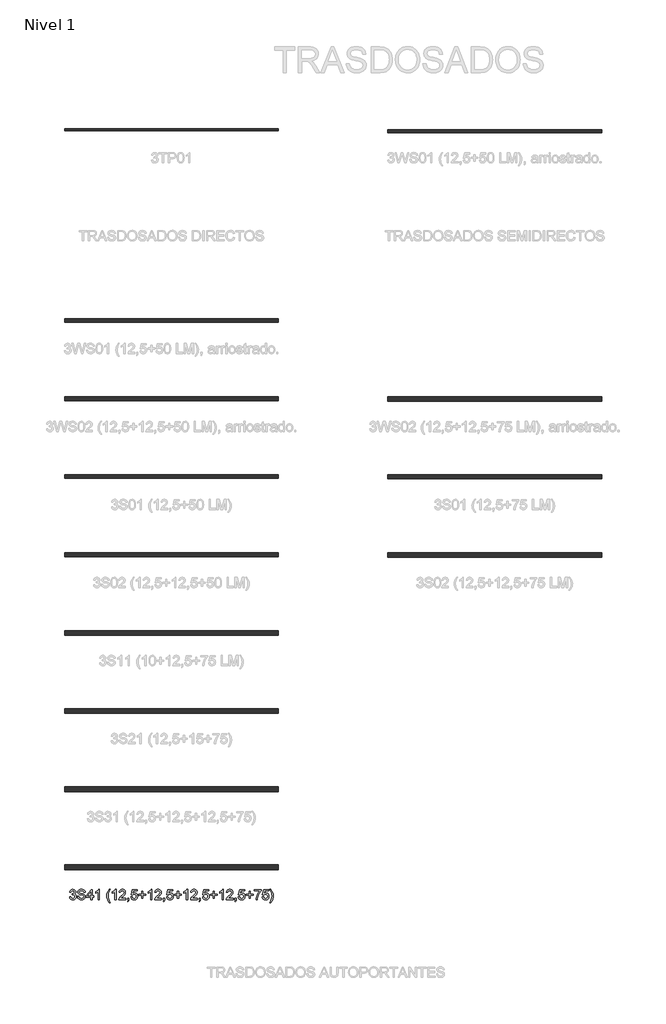
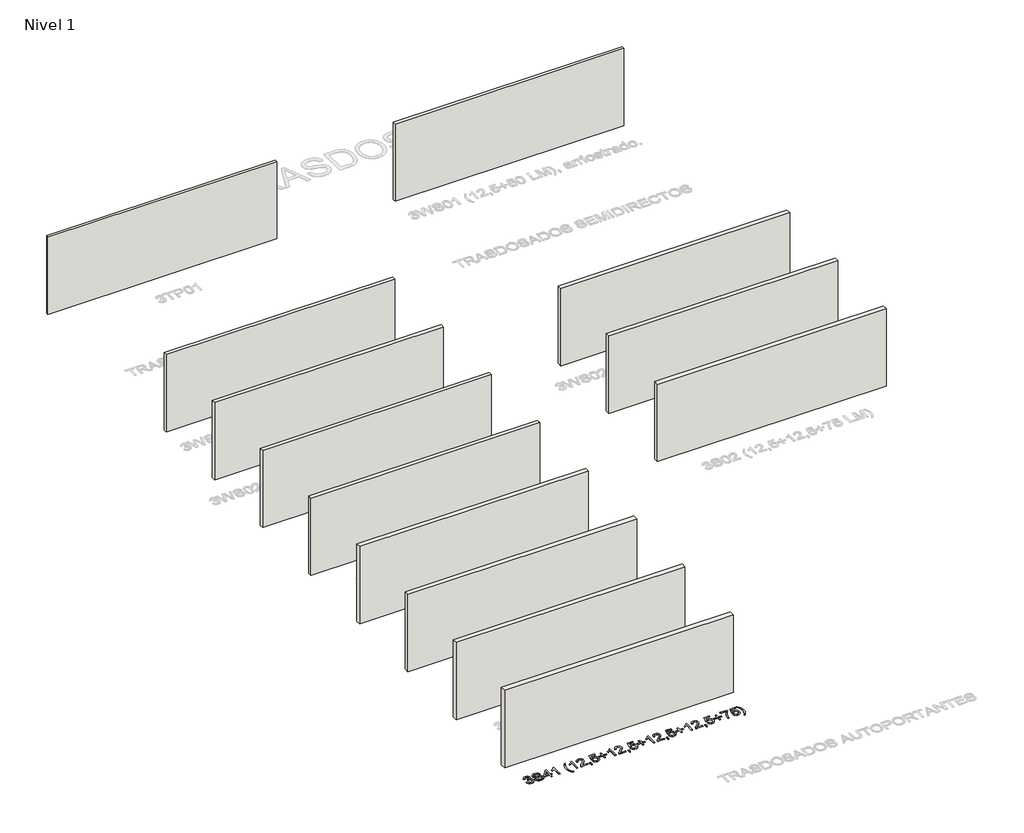
# One storey, part 1 of 13: 13 walls, 1 proxy.
"""IFC4 building model written with IfcOpenShell, lengths in millimetres."""

from ifc_helpers import new_model, si_unit, origin, origin_with_axes, place, context, project, spatial, polyline, outline, extrude, element, save

model = new_model("IFC4")

# Units and contexts
model_context = context("Model", 3, world=origin())
ifc_project = project(units=[si_unit("LENGTHUNIT", "METRE", prefix="MILLI")], contexts=[model_context])

# Site, building, storey
site = spatial("IfcSite", under=ifc_project)
building = spatial("IfcBuilding", under=site)
storey = spatial("IfcBuildingStorey", under=building, Name="Nivel 1", Elevation=0.0)

# Proxy
placement = place(None, origin())
element("IfcBuildingElementProxy", 1, Name="Texto de modelo 1", ObjectType="Texto de modelo 1", at=placement, inside=storey, context=model_context, shape_type="SweptSolid", body=[
    extrude(outline(polyline([(-25986.2526252, -23208.8446235), (-25936.0244702, -23202.5661041), (-25924.7795438, -23234.1303793), (-25908.3106932, -23255.4430095), (-25885.8085778, -23267.5831154), (-25856.4638573, -23271.6298173), (-25822.0301026, -23266.0625364), (-25807.7562812, -23259.1034354), (-25795.4444971, -23249.3606939), (-25778.4483489, -23224.4428201), (-25772.7829662, -23194.2274455), (-25778.399298, -23165.5449126), (-25795.2482933, -23142.2825078), (-25820.7547783, -23126.8682522), (-25852.343579, -23121.730167), (-25887.5621487, -23127.2238715), (-25881.9703423, -23076.9957164), (-25873.9259894, -23077.5843276), (-25843.8332422, -23073.979084), (-25816.9288056, -23063.1633534), (-25805.8555575, -23054.9841103), (-25797.9460946, -23044.8673555), (-25793.2004169, -23032.8130888), (-25791.6185243, -23018.8213102), (-25796.2047865, -22997.1285352), (-25809.9635731, -22979.5315131), (-25830.9573723, -22967.8696539), (-25857.2486723, -22963.9823675), (-25883.5890231, -22967.9064421), (-25905.1223826, -22979.6786659), (-25920.8432065, -22999.299039), (-25929.7459508, -23026.7675613), (-25979.9741058, -23020.4890419), (-25974.0205489, -22996.5092672), (-25965.1852496, -22975.3867093), (-25953.4682081, -22957.1213683), (-25938.8694243, -22941.713244), (-25921.8487506, -22929.4811677), (-25902.8660397, -22920.7439703), (-25881.9212914, -22915.5016519), (-25859.0145058, -22913.7542124), (-25827.4379679, -22917.2000404), (-25798.436604, -22927.5375245), (-25773.984714, -22943.8469596), (-25756.0565981, -22965.2086408), (-25745.0569265, -22989.8199463), (-25741.3903692, -23015.8782543), (-25744.8729855, -23040.1584659), (-25755.3208341, -23062.1823347), (-25772.5867624, -23080.9443165), (-25796.5236176, -23095.4388671), (-25765.0819697, -23108.1430586), (-25741.7827767, -23129.77452), (-25727.3618025, -23159.1560286), (-25722.5548111, -23195.1103623), (-25724.9583068, -23220.5923218), (-25732.1687939, -23244.0631931), (-25744.1862724, -23265.5229762), (-25761.0107423, -23284.971671), (-25781.5079008, -23301.1094278), (-25804.5434451, -23312.636397), (-25830.1173751, -23319.5525785), (-25858.2296909, -23321.8579724), (-25883.638074, -23319.8898037), (-25906.7901143, -23313.9852977), (-25927.6858116, -23304.1444543), (-25946.325166, -23290.3672736), (-25961.9540195, -23273.4630959), (-25973.8182138, -23254.2412617), (-25981.9177491, -23232.7017708), (-25986.2526252, -23208.8446235)])), origin_with_axes(), (0.0, 0.0, 1.0), 10.0),
    extrude(outline(polyline([(-25678.6051754, -23177.4520265), (-25628.3770203, -23177.4520265), (-25622.6135357, -23205.325219), (-25612.1902125, -23227.7292325), (-25595.9298284, -23245.5101956), (-25572.6551608, -23259.5142369), (-25544.2056198, -23268.6009222), (-25512.4206154, -23271.6298173), (-25484.4370583, -23269.3366862), (-25459.9361175, -23262.4572929), (-25440.0827525, -23251.5679858), (-25426.041923, -23237.2451135), (-25417.6910017, -23220.8007883), (-25414.9073613, -23203.5471227), (-25416.9920259, -23186.7349155), (-25423.2460198, -23172.2035767), (-25435.9502114, -23159.8059535), (-25457.385469, -23149.394893), (-25530.5204096, -23130.2159784), (-25578.52901, -23117.5240495), (-25609.2471566, -23105.4452573), (-25634.2508695, -23088.547211), (-25651.9705189, -23068.0684466), (-25662.5287322, -23044.4504225), (-25666.0481366, -23018.1345972), (-25661.6948664, -22988.7163003), (-25648.6350555, -22961.2845662), (-25627.2120607, -22938.0344241), (-25597.7692383, -22921.1609032), (-25562.4280413, -22910.8969956), (-25523.3099225, -22907.475693), (-25480.9299167, -22911.0564111), (-25443.8474115, -22921.7985654), (-25413.3867823, -22939.4814266), (-25390.8724042, -22963.8842656), (-25376.6231083, -22993.4865035), (-25370.9577256, -23026.7675613), (-25421.1858806, -23026.7675613), (-25430.407456, -22996.7974414), (-25438.77064, -22984.9393785), (-25449.6354216, -22975.1659801), (-25479.6791179, -22962.0693811), (-25521.3478852, -22957.7038481), (-25563.9976712, -22962.0203302), (-25580.3009749, -22967.4159328), (-25593.2565525, -22974.9697764), (-25610.1791243, -22994.0260637), (-25615.8199816, -23016.6630692), (-25611.8223305, -23035.9646112), (-25599.8293775, -23051.4892314), (-25571.4779384, -23065.3706453), (-25517.816218, -23079.5463649), (-25462.437715, -23093.0108459), (-25428.935928, -23104.7585443), (-25400.302446, -23122.9809658), (-25380.3264537, -23145.4708184), (-25368.5910181, -23171.9828475), (-25364.6792062, -23202.2717985), (-25369.1796293, -23233.2351997), (-25382.6808985, -23262.359191), (-25404.6311909, -23287.4242176), (-25434.4786834, -23306.2107248), (-25470.3717034, -23317.9461605), (-25510.4585781, -23321.8579724), (-25559.6689264, -23317.6395922), (-25600.172734, -23304.9844515), (-25632.435985, -23283.8434995), (-25656.9246632, -23254.1676853), (-25672.6454871, -23218.0171479), (-25678.6051754, -23177.4520265)])), origin_with_axes(), (0.0, 0.0, 1.0), 10.0),
    extrude(outline(polyline([(-25144.9310277, -23315.579453), (-25144.9310277, -23221.4016622), (-25327.0080899, -23221.4016622), (-25327.0080899, -23171.1735072), (-25132.373989, -22920.0327318), (-25094.7028727, -22920.0327318), (-25094.7028727, -23171.1735072), (-25044.4747176, -23171.1735072), (-25044.4747176, -23221.4016622), (-25094.7028727, -23221.4016622), (-25094.7028727, -23315.579453), (-25144.9310277, -23315.579453)]), holes=[polyline([(-25144.9310277, -23171.1735072), (-25144.9310277, -23015.9763561), (-25265.2039147, -23171.1735072), (-25144.9310277, -23171.1735072)])]), origin_with_axes(), (0.0, 0.0, 1.0), 10.0),
    extrude(outline(polyline([(-24812.1695004, -23315.579453), (-24862.3976554, -23315.579453), (-24862.3976554, -23002.4382987), (-24883.3669292, -23019.3976587), (-24909.9770601, -23036.3324932), (-24962.8539656, -23061.6918254), (-24962.8539656, -23014.2105225), (-24923.404753, -22992.7507395), (-24889.2285156, -22967.219729), (-24862.2872908, -22940.0700378), (-24844.5431159, -22913.7542124), (-24812.1695004, -22913.7542124), (-24812.1695004, -23315.579453)])), origin_with_axes(), (0.0, 0.0, 1.0), 10.0),
    extrude(outline(polyline([(-24422.9012985, -23428.5928019), (-24461.8232136, -23373.9745884), (-24494.2213547, -23310.7724616), (-24506.9684658, -23276.7188516), (-24516.0735452, -23242.0521049), (-24521.5365928, -23206.7722216), (-24523.3576087, -23170.8792016), (-24517.9129552, -23108.4618897), (-24501.5789946, -23048.7423792), (-24469.1563281, -22981.101143), (-24422.9012985, -22913.7542124), (-24385.2301822, -22913.7542124), (-24432.2209757, -22993.3148252), (-24448.2606307, -23031.0840434), (-24460.474313, -23070.4228914), (-24469.9656684, -23120.6755719), (-24473.1294536, -23171.1735072), (-24467.6357491, -23235.565119), (-24451.1546358, -23299.9322055), (-24423.6861135, -23364.2747664), (-24385.2301822, -23428.5928019), (-24422.9012985, -23428.5928019)])), origin_with_axes(), (0.0, 0.0, 1.0), 10.0),
    extrude(outline(polyline([(-24159.2034844, -23315.579453), (-24209.4316395, -23315.579453), (-24209.4316395, -23002.4382987), (-24230.4009132, -23019.3976587), (-24257.0110442, -23036.3324932), (-24309.8879496, -23061.6918254), (-24309.8879496, -23014.2105225), (-24270.438737, -22992.7507395), (-24236.2624996, -22967.219729), (-24209.3212749, -22940.0700378), (-24191.5771, -22913.7542124), (-24159.2034844, -22913.7542124), (-24159.2034844, -23315.579453)])), origin_with_axes(), (0.0, 0.0, 1.0), 10.0),
    extrude(outline(polyline([(-23782.4923213, -23265.3512979), (-23782.4923213, -23315.579453), (-24046.1901355, -23315.579453), (-24045.0864895, -23297.8965918), (-24040.7945329, -23280.9494945), (-24028.4091724, -23253.8856424), (-24010.2848527, -23227.6311307), (-23984.0671292, -23200.1503456), (-23947.401557, -23169.4076736), (-23893.2002764, -23121.2641831), (-23860.679508, -23085.7267824), (-23844.4191238, -23056.884834), (-23838.9989958, -23028.8277005), (-23844.1125555, -23003.6768347), (-23859.4532347, -22982.7688747), (-23883.0344706, -22968.6789943), (-23912.8697004, -22963.9823675), (-23944.2009837, -22968.5686297), (-23968.542509, -22982.3274163), (-23984.2510702, -23004.1796068), (-23989.683461, -23033.0460807), (-24039.9116161, -23026.7675613), (-24035.5920683, -23000.838012), (-24027.734722, -22978.1826125), (-24016.3395772, -22958.8013627), (-24001.4066339, -22942.6942627), (-23983.2792486, -22930.0329907), (-23962.3007778, -22920.989225), (-23938.4712216, -22915.5629655), (-23911.7905799, -22913.7542124), (-23884.8708149, -22915.7653006), (-23860.9125, -22921.7985654), (-23839.9156351, -22931.8540066), (-23821.8802203, -22945.9316242), (-23807.3948667, -22962.9890861), (-23797.0481856, -22981.9840598), (-23790.8401769, -23002.9165453), (-23788.7708407, -23025.7865427), (-23791.0026581, -23049.8092369), (-23797.6981105, -23073.4149983), (-23809.5806989, -23097.4254299), (-23827.3739247, -23122.6621347), (-23855.7376266, -23152.7916701), (-23899.331643, -23191.4805933), (-23957.1136417, -23239.795762), (-23979.7751726, -23265.3512979), (-23782.4923213, -23265.3512979)])), origin_with_axes(), (0.0, 0.0, 1.0), 10.0),
    extrude(outline(polyline([(-23707.1500887, -23315.579453), (-23707.1500887, -23265.3512979), (-23656.9219336, -23265.3512979), (-23656.9219336, -23315.579453), (-23659.1782765, -23344.3110368), (-23665.9473053, -23366.9357795), (-23677.6214272, -23384.287547), (-23694.5930499, -23397.200205), (-23707.1500887, -23378.3646468), (-23696.2607817, -23369.2656988), (-23688.706938, -23356.6841346), (-23684.1206758, -23339.246528), (-23682.134113, -23315.579453), (-23707.1500887, -23315.579453)])), origin_with_axes(), (0.0, 0.0, 1.0), 10.0),
    extrude(outline(polyline([(-23575.3011816, -23208.8446235), (-23525.0730266, -23202.5661041), (-23515.8514512, -23232.7201649), (-23499.7627453, -23254.3148381), (-23476.8804852, -23267.3010725), (-23447.2782473, -23271.6298173), (-23428.1483836, -23270.1245668), (-23411.2748627, -23265.6088153), (-23396.6576848, -23258.0825628), (-23384.2968497, -23247.5458094), (-23374.4682691, -23234.519721), (-23367.4478544, -23219.5254641), (-23361.8315226, -23183.6324441), (-23367.0922351, -23149.8363514), (-23373.6681258, -23135.9181493), (-23382.8743727, -23123.9865099), (-23394.7416327, -23114.4154467), (-23409.3005627, -23107.5789729), (-23446.4934324, -23102.1097939), (-23470.8594832, -23104.2925604), (-23490.5902209, -23110.8408599), (-23506.347833, -23120.8717757), (-23518.7945072, -23133.5023908), (-23569.0226623, -23127.2238715), (-23525.0730266, -22920.0327318), (-23330.4389257, -22920.0327318), (-23330.4389257, -22970.2608869), (-23484.4588543, -22970.2608869), (-23505.9431628, -23080.919791), (-23488.217382, -23068.2155994), (-23470.0624056, -23059.1411769), (-23451.4782334, -23053.6965234), (-23432.4648656, -23051.8816388), (-23408.0037787, -23054.1318504), (-23385.5353858, -23060.882485), (-23365.0596871, -23072.1335427), (-23346.5766825, -23087.8850234), (-23331.2758572, -23107.1743027), (-23320.3466963, -23129.038756), (-23313.7891997, -23153.4783832), (-23311.6033675, -23180.4931844), (-23313.5715362, -23206.5147042), (-23319.4760422, -23230.7213394), (-23329.3168856, -23253.1130902), (-23343.0940663, -23273.6899565), (-23363.9652381, -23294.7634634), (-23388.3190262, -23309.8159684), (-23416.1554305, -23318.8474714), (-23447.4744511, -23321.8579724), (-23473.3948033, -23319.9235262), (-23496.8074266, -23314.1201877), (-23517.712321, -23304.447957), (-23536.1094864, -23290.9068338), (-23551.4164431, -23274.1712688), (-23563.0507112, -23254.915712), (-23571.0122907, -23233.1401636), (-23575.3011816, -23208.8446235)])), origin_with_axes(), (0.0, 0.0, 1.0), 10.0),
    extrude(outline(polyline([(-23154.6403829, -23252.7942591), (-23154.6403829, -23146.0594296), (-23261.3752124, -23146.0594296), (-23261.3752124, -23095.8312745), (-23154.6403829, -23095.8312745), (-23154.6403829, -22989.096445), (-23104.4122278, -22989.096445), (-23104.4122278, -23095.8312745), (-22997.6773983, -23095.8312745), (-22997.6773983, -23146.0594296), (-23104.4122278, -23146.0594296), (-23104.4122278, -23252.7942591), (-23154.6403829, -23252.7942591)])), origin_with_axes(), (0.0, 0.0, 1.0), 10.0),
    extrude(outline(polyline([(-22752.8151423, -23315.579453), (-22803.0432974, -23315.579453), (-22803.0432974, -23002.4382987), (-22824.0125711, -23019.3976587), (-22850.6227021, -23036.3324932), (-22903.4996075, -23061.6918254), (-22903.4996075, -23014.2105225), (-22864.0503949, -22992.7507395), (-22829.8741575, -22967.219729), (-22802.9329328, -22940.0700378), (-22785.1887579, -22913.7542124), (-22752.8151423, -22913.7542124), (-22752.8151423, -23315.579453)])), origin_with_axes(), (0.0, 0.0, 1.0), 10.0),
    extrude(outline(polyline([(-22376.1039792, -23265.3512979), (-22376.1039792, -23315.579453), (-22639.8017934, -23315.579453), (-22638.6981474, -23297.8965918), (-22634.4061908, -23280.9494945), (-22622.0208303, -23253.8856424), (-22603.8965106, -23227.6311307), (-22577.6787871, -23200.1503456), (-22541.0132149, -23169.4076736), (-22486.8119343, -23121.2641831), (-22454.2911659, -23085.7267824), (-22438.0307818, -23056.884834), (-22432.6106537, -23028.8277005), (-22437.7242134, -23003.6768347), (-22453.0648926, -22982.7688747), (-22476.6461285, -22968.6789943), (-22506.4813583, -22963.9823675), (-22537.8126416, -22968.5686297), (-22562.1541669, -22982.3274163), (-22577.8627281, -23004.1796068), (-22583.2951189, -23033.0460807), (-22633.523274, -23026.7675613), (-22629.2037262, -23000.838012), (-22621.3463799, -22978.1826125), (-22609.9512351, -22958.8013627), (-22595.0182918, -22942.6942627), (-22576.8909065, -22930.0329907), (-22555.9124357, -22920.989225), (-22532.0828795, -22915.5629655), (-22505.4022378, -22913.7542124), (-22478.4824728, -22915.7653006), (-22454.5241579, -22921.7985654), (-22433.527293, -22931.8540066), (-22415.4918782, -22945.9316242), (-22401.0065246, -22962.9890861), (-22390.6598435, -22981.9840598), (-22384.4518348, -23002.9165453), (-22382.3824986, -23025.7865427), (-22384.6143161, -23049.8092369), (-22391.3097684, -23073.4149983), (-22403.1923568, -23097.4254299), (-22420.9855826, -23122.6621347), (-22449.3492845, -23152.7916701), (-22492.9433009, -23191.4805933), (-22550.7252996, -23239.795762), (-22573.3868305, -23265.3512979), (-22376.1039792, -23265.3512979)])), origin_with_axes(), (0.0, 0.0, 1.0), 10.0),
    extrude(outline(polyline([(-22300.7617466, -23315.579453), (-22300.7617466, -23265.3512979), (-22250.5335915, -23265.3512979), (-22250.5335915, -23315.579453), (-22252.7899344, -23344.3110368), (-22259.5589632, -23366.9357795), (-22271.2330851, -23384.287547), (-22288.2047079, -23397.200205), (-22300.7617466, -23378.3646468), (-22289.8724396, -23369.2656988), (-22282.3185959, -23356.6841346), (-22277.7323337, -23339.246528), (-22275.7457709, -23315.579453), (-22300.7617466, -23315.579453)])), origin_with_axes(), (0.0, 0.0, 1.0), 10.0),
    extrude(outline(polyline([(-22168.9128395, -23208.8446235), (-22118.6846845, -23202.5661041), (-22109.4631091, -23232.7201649), (-22093.3744032, -23254.3148381), (-22070.4921431, -23267.3010725), (-22040.8899052, -23271.6298173), (-22021.7600415, -23270.1245668), (-22004.8865206, -23265.6088153), (-21990.2693427, -23258.0825628), (-21977.9085077, -23247.5458094), (-21968.079927, -23234.519721), (-21961.0595123, -23219.5254641), (-21955.4431805, -23183.6324441), (-21960.703893, -23149.8363514), (-21967.2797837, -23135.9181493), (-21976.4860306, -23123.9865099), (-21988.3532906, -23114.4154467), (-22002.9122206, -23107.5789729), (-22040.1050903, -23102.1097939), (-22064.4711411, -23104.2925604), (-22084.2018788, -23110.8408599), (-22099.9594909, -23120.8717757), (-22112.4061651, -23133.5023908), (-22162.6343202, -23127.2238715), (-22118.6846845, -22920.0327318), (-21924.0505836, -22920.0327318), (-21924.0505836, -22970.2608869), (-22078.0705122, -22970.2608869), (-22099.5548207, -23080.919791), (-22081.8290399, -23068.2155994), (-22063.6740635, -23059.1411769), (-22045.0898913, -23053.6965234), (-22026.0765236, -23051.8816388), (-22001.6154366, -23054.1318504), (-21979.1470437, -23060.882485), (-21958.671345, -23072.1335427), (-21940.1883404, -23087.8850234), (-21924.8875151, -23107.1743027), (-21913.9583542, -23129.038756), (-21907.4008576, -23153.4783832), (-21905.2150254, -23180.4931844), (-21907.1831941, -23206.5147042), (-21913.0877001, -23230.7213394), (-21922.9285435, -23253.1130902), (-21936.7057242, -23273.6899565), (-21957.5768961, -23294.7634634), (-21981.9306841, -23309.8159684), (-22009.7670884, -23318.8474714), (-22041.086109, -23321.8579724), (-22067.0064612, -23319.9235262), (-22090.4190845, -23314.1201877), (-22111.3239789, -23304.447957), (-22129.7211443, -23290.9068338), (-22145.028101, -23274.1712688), (-22156.6623691, -23254.915712), (-22164.6239486, -23233.1401636), (-22168.9128395, -23208.8446235)])), origin_with_axes(), (0.0, 0.0, 1.0), 10.0),
    extrude(outline(polyline([(-21748.2520408, -23252.7942591), (-21748.2520408, -23146.0594296), (-21854.9868703, -23146.0594296), (-21854.9868703, -23095.8312745), (-21748.2520408, -23095.8312745), (-21748.2520408, -22989.096445), (-21698.0238857, -22989.096445), (-21698.0238857, -23095.8312745), (-21591.2890562, -23095.8312745), (-21591.2890562, -23146.0594296), (-21698.0238857, -23146.0594296), (-21698.0238857, -23252.7942591), (-21748.2520408, -23252.7942591)])), origin_with_axes(), (0.0, 0.0, 1.0), 10.0),
    extrude(outline(polyline([(-21346.4268002, -23315.579453), (-21396.6549553, -23315.579453), (-21396.6549553, -23002.4382987), (-21417.624229, -23019.3976587), (-21444.23436, -23036.3324932), (-21497.1112654, -23061.6918254), (-21497.1112654, -23014.2105225), (-21457.6620528, -22992.7507395), (-21423.4858155, -22967.219729), (-21396.5445907, -22940.0700378), (-21378.8004158, -22913.7542124), (-21346.4268002, -22913.7542124), (-21346.4268002, -23315.579453)])), origin_with_axes(), (0.0, 0.0, 1.0), 10.0),
    extrude(outline(polyline([(-20969.7156371, -23265.3512979), (-20969.7156371, -23315.579453), (-21233.4134513, -23315.579453), (-21232.3098053, -23297.8965918), (-21228.0178487, -23280.9494945), (-21215.6324882, -23253.8856424), (-21197.5081686, -23227.6311307), (-21171.290445, -23200.1503456), (-21134.6248728, -23169.4076736), (-21080.4235922, -23121.2641831), (-21047.9028238, -23085.7267824), (-21031.6424397, -23056.884834), (-21026.2223116, -23028.8277005), (-21031.3358713, -23003.6768347), (-21046.6765505, -22982.7688747), (-21070.2577864, -22968.6789943), (-21100.0930162, -22963.9823675), (-21131.4242995, -22968.5686297), (-21155.7658248, -22982.3274163), (-21171.474386, -23004.1796068), (-21176.9067768, -23033.0460807), (-21227.1349319, -23026.7675613), (-21222.8153841, -23000.838012), (-21214.9580379, -22978.1826125), (-21203.5628931, -22958.8013627), (-21188.6299497, -22942.6942627), (-21170.5025644, -22930.0329907), (-21149.5240936, -22920.989225), (-21125.6945374, -22915.5629655), (-21099.0138957, -22913.7542124), (-21072.0941307, -22915.7653006), (-21048.1358158, -22921.7985654), (-21027.1389509, -22931.8540066), (-21009.1035361, -22945.9316242), (-20994.6181825, -22962.9890861), (-20984.2715014, -22981.9840598), (-20978.0634927, -23002.9165453), (-20975.9941565, -23025.7865427), (-20978.225974, -23049.8092369), (-20984.9214263, -23073.4149983), (-20996.8040147, -23097.4254299), (-21014.5972405, -23122.6621347), (-21042.9609424, -23152.7916701), (-21086.5549588, -23191.4805933), (-21144.3369575, -23239.795762), (-21166.9984884, -23265.3512979), (-20969.7156371, -23265.3512979)])), origin_with_axes(), (0.0, 0.0, 1.0), 10.0),
    extrude(outline(polyline([(-20894.3734045, -23315.579453), (-20894.3734045, -23265.3512979), (-20844.1452494, -23265.3512979), (-20844.1452494, -23315.579453), (-20846.4015924, -23344.3110368), (-20853.1706211, -23366.9357795), (-20864.844743, -23384.287547), (-20881.8163658, -23397.200205), (-20894.3734045, -23378.3646468), (-20883.4840975, -23369.2656988), (-20875.9302538, -23356.6841346), (-20871.3439916, -23339.246528), (-20869.3574289, -23315.579453), (-20894.3734045, -23315.579453)])), origin_with_axes(), (0.0, 0.0, 1.0), 10.0),
    extrude(outline(polyline([(-20762.5244975, -23208.8446235), (-20712.2963424, -23202.5661041), (-20703.074767, -23232.7201649), (-20686.9860611, -23254.3148381), (-20664.103801, -23267.3010725), (-20634.5015631, -23271.6298173), (-20615.3716994, -23270.1245668), (-20598.4981785, -23265.6088153), (-20583.8810006, -23258.0825628), (-20571.5201656, -23247.5458094), (-20561.6915849, -23234.519721), (-20554.6711702, -23219.5254641), (-20549.0548384, -23183.6324441), (-20554.3155509, -23149.8363514), (-20560.8914416, -23135.9181493), (-20570.0976885, -23123.9865099), (-20581.9649485, -23114.4154467), (-20596.5238785, -23107.5789729), (-20633.7167482, -23102.1097939), (-20658.082799, -23104.2925604), (-20677.8135367, -23110.8408599), (-20693.5711488, -23120.8717757), (-20706.017823, -23133.5023908), (-20756.2459781, -23127.2238715), (-20712.2963424, -22920.0327318), (-20517.6622415, -22920.0327318), (-20517.6622415, -22970.2608869), (-20671.6821701, -22970.2608869), (-20693.1664786, -23080.919791), (-20675.4406978, -23068.2155994), (-20657.2857214, -23059.1411769), (-20638.7015492, -23053.6965234), (-20619.6881815, -23051.8816388), (-20595.2270945, -23054.1318504), (-20572.7587016, -23060.882485), (-20552.2830029, -23072.1335427), (-20533.7999983, -23087.8850234), (-20518.499173, -23107.1743027), (-20507.5700121, -23129.038756), (-20501.0125155, -23153.4783832), (-20498.8266833, -23180.4931844), (-20500.794852, -23206.5147042), (-20506.699358, -23230.7213394), (-20516.5402014, -23253.1130902), (-20530.3173821, -23273.6899565), (-20551.188554, -23294.7634634), (-20575.542342, -23309.8159684), (-20603.3787463, -23318.8474714), (-20634.6977669, -23321.8579724), (-20660.6181191, -23319.9235262), (-20684.0307424, -23314.1201877), (-20704.9356368, -23304.447957), (-20723.3328022, -23290.9068338), (-20738.6397589, -23274.1712688), (-20750.274027, -23254.915712), (-20758.2356065, -23233.1401636), (-20762.5244975, -23208.8446235)])), origin_with_axes(), (0.0, 0.0, 1.0), 10.0),
    extrude(outline(polyline([(-20341.8636987, -23252.7942591), (-20341.8636987, -23146.0594296), (-20448.5985282, -23146.0594296), (-20448.5985282, -23095.8312745), (-20341.8636987, -23095.8312745), (-20341.8636987, -22989.096445), (-20291.6355436, -22989.096445), (-20291.6355436, -23095.8312745), (-20184.9007141, -23095.8312745), (-20184.9007141, -23146.0594296), (-20291.6355436, -23146.0594296), (-20291.6355436, -23252.7942591), (-20341.8636987, -23252.7942591)])), origin_with_axes(), (0.0, 0.0, 1.0), 10.0),
    extrude(outline(polyline([(-19940.0384581, -23315.579453), (-19990.2666132, -23315.579453), (-19990.2666132, -23002.4382987), (-20011.2358869, -23019.3976587), (-20037.8460179, -23036.3324932), (-20090.7229233, -23061.6918254), (-20090.7229233, -23014.2105225), (-20051.2737107, -22992.7507395), (-20017.0974734, -22967.219729), (-19990.1562486, -22940.0700378), (-19972.4120737, -22913.7542124), (-19940.0384581, -22913.7542124), (-19940.0384581, -23315.579453)])), origin_with_axes(), (0.0, 0.0, 1.0), 10.0),
    extrude(outline(polyline([(-19563.327295, -23265.3512979), (-19563.327295, -23315.579453), (-19827.0251092, -23315.579453), (-19825.9214632, -23297.8965918), (-19821.6295066, -23280.9494945), (-19809.2441461, -23253.8856424), (-19791.1198265, -23227.6311307), (-19764.9021029, -23200.1503456), (-19728.2365307, -23169.4076736), (-19674.0352501, -23121.2641831), (-19641.5144818, -23085.7267824), (-19625.2540976, -23056.884834), (-19619.8339695, -23028.8277005), (-19624.9475292, -23003.6768347), (-19640.2882084, -22982.7688747), (-19663.8694443, -22968.6789943), (-19693.7046741, -22963.9823675), (-19725.0359574, -22968.5686297), (-19749.3774827, -22982.3274163), (-19765.0860439, -23004.1796068), (-19770.5184347, -23033.0460807), (-19820.7465898, -23026.7675613), (-19816.427042, -23000.838012), (-19808.5696958, -22978.1826125), (-19797.174551, -22958.8013627), (-19782.2416076, -22942.6942627), (-19764.1142223, -22930.0329907), (-19743.1357516, -22920.989225), (-19719.3061953, -22915.5629655), (-19692.6255536, -22913.7542124), (-19665.7057886, -22915.7653006), (-19641.7474737, -22921.7985654), (-19620.7506088, -22931.8540066), (-19602.715194, -22945.9316242), (-19588.2298404, -22962.9890861), (-19577.8831593, -22981.9840598), (-19571.6751506, -23002.9165453), (-19569.6058144, -23025.7865427), (-19571.8376319, -23049.8092369), (-19578.5330842, -23073.4149983), (-19590.4156726, -23097.4254299), (-19608.2088985, -23122.6621347), (-19636.5726003, -23152.7916701), (-19680.1666167, -23191.4805933), (-19737.9486154, -23239.795762), (-19760.6101463, -23265.3512979), (-19563.327295, -23265.3512979)])), origin_with_axes(), (0.0, 0.0, 1.0), 10.0),
    extrude(outline(polyline([(-19487.9850624, -23315.579453), (-19487.9850624, -23265.3512979), (-19437.7569074, -23265.3512979), (-19437.7569074, -23315.579453), (-19440.0132503, -23344.3110368), (-19446.782279, -23366.9357795), (-19458.456401, -23384.287547), (-19475.4280237, -23397.200205), (-19487.9850624, -23378.3646468), (-19477.0957554, -23369.2656988), (-19469.5419117, -23356.6841346), (-19464.9556495, -23339.246528), (-19462.9690868, -23315.579453), (-19487.9850624, -23315.579453)])), origin_with_axes(), (0.0, 0.0, 1.0), 10.0),
    extrude(outline(polyline([(-19356.1361554, -23208.8446235), (-19305.9080003, -23202.5661041), (-19296.6864249, -23232.7201649), (-19280.597719, -23254.3148381), (-19257.7154589, -23267.3010725), (-19228.113221, -23271.6298173), (-19208.9833573, -23270.1245668), (-19192.1098364, -23265.6088153), (-19177.4926585, -23258.0825628), (-19165.1318235, -23247.5458094), (-19155.3032428, -23234.519721), (-19148.2828281, -23219.5254641), (-19142.6664963, -23183.6324441), (-19147.9272088, -23149.8363514), (-19154.5030995, -23135.9181493), (-19163.7093464, -23123.9865099), (-19175.5766064, -23114.4154467), (-19190.1355364, -23107.5789729), (-19227.3284061, -23102.1097939), (-19251.6944569, -23104.2925604), (-19271.4251946, -23110.8408599), (-19287.1828067, -23120.8717757), (-19299.6294809, -23133.5023908), (-19349.857636, -23127.2238715), (-19305.9080003, -22920.0327318), (-19111.2738994, -22920.0327318), (-19111.2738994, -22970.2608869), (-19265.293828, -22970.2608869), (-19286.7781365, -23080.919791), (-19269.0523557, -23068.2155994), (-19250.8973793, -23059.1411769), (-19232.3132071, -23053.6965234), (-19213.2998394, -23051.8816388), (-19188.8387524, -23054.1318504), (-19166.3703595, -23060.882485), (-19145.8946608, -23072.1335427), (-19127.4116562, -23087.8850234), (-19112.1108309, -23107.1743027), (-19101.18167, -23129.038756), (-19094.6241734, -23153.4783832), (-19092.4383412, -23180.4931844), (-19094.4065099, -23206.5147042), (-19100.3110159, -23230.7213394), (-19110.1518593, -23253.1130902), (-19123.92904, -23273.6899565), (-19144.8002119, -23294.7634634), (-19169.1539999, -23309.8159684), (-19196.9904042, -23318.8474714), (-19228.3094248, -23321.8579724), (-19254.229777, -23319.9235262), (-19277.6424003, -23314.1201877), (-19298.5472947, -23304.447957), (-19316.9444601, -23290.9068338), (-19332.2514168, -23274.1712688), (-19343.8856849, -23254.915712), (-19351.8472644, -23233.1401636), (-19356.1361554, -23208.8446235)])), origin_with_axes(), (0.0, 0.0, 1.0), 10.0),
    extrude(outline(polyline([(-18935.4753566, -23252.7942591), (-18935.4753566, -23146.0594296), (-19042.2101861, -23146.0594296), (-19042.2101861, -23095.8312745), (-18935.4753566, -23095.8312745), (-18935.4753566, -22989.096445), (-18885.2472015, -22989.096445), (-18885.2472015, -23095.8312745), (-18778.512372, -23095.8312745), (-18778.512372, -23146.0594296), (-18885.2472015, -23146.0594296), (-18885.2472015, -23252.7942591), (-18935.4753566, -23252.7942591)])), origin_with_axes(), (0.0, 0.0, 1.0), 10.0),
    extrude(outline(polyline([(-18722.0056975, -22970.2608869), (-18722.0056975, -22920.0327318), (-18458.3078834, -22920.0327318), (-18458.3078834, -22960.646904), (-18495.8931606, -23008.214046), (-18533.1105557, -23068.7061088), (-18565.9378925, -23136.6048623), (-18590.3529942, -23206.3920768), (-18602.3214218, -23258.6067947), (-18608.9923486, -23315.579453), (-18659.2205037, -23315.579453), (-18653.7881129, -23263.8061935), (-18639.2567741, -23202.2717985), (-18616.0188947, -23137.0463207), (-18584.4668823, -23074.1998132), (-18547.6296318, -23017.3865704), (-18508.5360385, -22970.2608869), (-18722.0056975, -22970.2608869)])), origin_with_axes(), (0.0, 0.0, 1.0), 10.0),
    extrude(outline(polyline([(-18414.3582477, -23208.8446235), (-18364.1300926, -23202.5661041), (-18354.9085173, -23232.7201649), (-18338.8198114, -23254.3148381), (-18315.9375513, -23267.3010725), (-18286.3353134, -23271.6298173), (-18267.2054496, -23270.1245668), (-18250.3319288, -23265.6088153), (-18235.7147508, -23258.0825628), (-18223.3539158, -23247.5458094), (-18213.5253352, -23234.519721), (-18206.5049204, -23219.5254641), (-18200.8885886, -23183.6324441), (-18206.1493012, -23149.8363514), (-18212.7251918, -23135.9181493), (-18221.9314388, -23123.9865099), (-18233.7986988, -23114.4154467), (-18248.3576287, -23107.5789729), (-18285.5504985, -23102.1097939), (-18309.9165493, -23104.2925604), (-18329.6472869, -23110.8408599), (-18345.4048991, -23120.8717757), (-18357.8515732, -23133.5023908), (-18408.0797283, -23127.2238715), (-18364.1300926, -22920.0327318), (-18169.4959917, -22920.0327318), (-18169.4959917, -22970.2608869), (-18323.5159204, -22970.2608869), (-18345.0002289, -23080.919791), (-18327.2744481, -23068.2155994), (-18309.1194716, -23059.1411769), (-18290.5352995, -23053.6965234), (-18271.5219317, -23051.8816388), (-18247.0608447, -23054.1318504), (-18224.5924519, -23060.882485), (-18204.1167531, -23072.1335427), (-18185.6337486, -23087.8850234), (-18170.3329233, -23107.1743027), (-18159.4037623, -23129.038756), (-18152.8462658, -23153.4783832), (-18150.6604336, -23180.4931844), (-18152.6286022, -23206.5147042), (-18158.5331083, -23230.7213394), (-18168.3739516, -23253.1130902), (-18182.1511324, -23273.6899565), (-18203.0223042, -23294.7634634), (-18227.3760923, -23309.8159684), (-18255.2124966, -23318.8474714), (-18286.5315171, -23321.8579724), (-18312.4518694, -23319.9235262), (-18335.8644927, -23314.1201877), (-18356.769387, -23304.447957), (-18375.1665525, -23290.9068338), (-18390.4735092, -23274.1712688), (-18402.1077773, -23254.915712), (-18410.0693568, -23233.1401636), (-18414.3582477, -23208.8446235)])), origin_with_axes(), (0.0, 0.0, 1.0), 10.0),
    extrude(outline(polyline([(-18081.5967203, -23428.5928019), (-18119.2678366, -23428.5928019), (-18080.8119054, -23364.2747664), (-18053.3433831, -23299.9322055), (-18036.8622697, -23235.565119), (-18031.3685653, -23171.1735072), (-18034.5323504, -23121.0434539), (-18044.0237059, -23071.3058082), (-18056.0166589, -23031.8933838), (-18071.9827375, -22994.0996401), (-18119.2678366, -22913.7542124), (-18081.5967203, -22913.7542124), (-18035.3416908, -22981.101143), (-18002.9190243, -23048.7423792), (-17986.5850637, -23108.4618897), (-17981.1404102, -23170.8792016), (-17982.9706231, -23206.7722216), (-17988.4612619, -23242.0521049), (-17997.6123265, -23276.7188516), (-18010.423817, -23310.7724616), (-18042.8587462, -23373.9745884), (-18081.5967203, -23428.5928019)])), origin_with_axes(), (0.0, 0.0, 1.0), 10.0),
])

# Walls
element("IfcWall", 2, at=placement, inside=storey, context=model_context, shape_type="SweptSolid", body=[
    extrude(outline(polyline([(-17777.4179983, 6897.8831431), (-26177.4179983, 6897.8831431), (-26177.4179983, 6980.3831431), (-17777.4179983, 6980.3831431), (-17777.4179983, 6897.8831431)])), origin_with_axes(), (0.0, 0.0, 1.0), 3000.0),
])
element("IfcWall", 3, at=placement, inside=storey, context=model_context, shape_type="SweptSolid", body=[
    extrude(outline(polyline([(-5077.4179983, 6811.920547), (-13477.4179983, 6811.920547), (-13477.4179983, 6924.420547), (-5077.4179983, 6924.420547), (-5077.4179983, 6811.920547)])), origin_with_axes(), (0.0, 0.0, 1.0), 3000.0),
])
element("IfcWall", 4, at=placement, inside=storey, context=model_context, shape_type="SweptSolid", body=[
    extrude(outline(polyline([(-17777.4179983, -627.1168569), (-26177.4179983, -627.1168569), (-26177.4179983, -494.6168569), (-17777.4179983, -494.6168569), (-17777.4179983, -627.1168569)])), origin_with_axes(), (0.0, 0.0, 1.0), 3000.0),
])
element("IfcWall", 5, at=placement, inside=storey, context=model_context, shape_type="SweptSolid", body=[
    extrude(outline(polyline([(-17777.4179983, -3704.6168569), (-26177.4179983, -3704.6168569), (-26177.4179983, -3559.6168569), (-17777.4179983, -3559.6168569), (-17777.4179983, -3704.6168569)])), origin_with_axes(), (0.0, 0.0, 1.0), 3000.0),
])
element("IfcWall", 6, at=placement, inside=storey, context=model_context, shape_type="SweptSolid", body=[
    extrude(outline(polyline([(-17777.4179983, -6757.1168569), (-26177.4179983, -6757.1168569), (-26177.4179983, -6624.6168569), (-17777.4179983, -6624.6168569), (-17777.4179983, -6757.1168569)])), origin_with_axes(), (0.0, 0.0, 1.0), 3000.0),
])
element("IfcWall", 7, at=placement, inside=storey, context=model_context, shape_type="SweptSolid", body=[
    extrude(outline(polyline([(-17777.4179983, -9834.6168569), (-26177.4179983, -9834.6168569), (-26177.4179983, -9689.6168569), (-17777.4179983, -9689.6168569), (-17777.4179983, -9834.6168569)])), origin_with_axes(), (0.0, 0.0, 1.0), 3000.0),
])
element("IfcWall", 8, at=placement, inside=storey, context=model_context, shape_type="SweptSolid", body=[
    extrude(outline(polyline([(-17777.4179983, -12922.1168569), (-26177.4179983, -12922.1168569), (-26177.4179983, -12754.6168569), (-17777.4179983, -12754.6168569), (-17777.4179983, -12922.1168569)])), origin_with_axes(), (0.0, 0.0, 1.0), 3000.0),
])
element("IfcWall", 9, at=placement, inside=storey, context=model_context, shape_type="SweptSolid", body=[
    extrude(outline(polyline([(-17777.4179983, -19067.1168569), (-26177.4179983, -19067.1168569), (-26177.4179983, -18884.6168569), (-17777.4179983, -18884.6168569), (-17777.4179983, -19067.1168569)])), origin_with_axes(), (0.0, 0.0, 1.0), 3000.0),
])
element("IfcWall", 10, at=placement, inside=storey, context=model_context, shape_type="SweptSolid", body=[
    extrude(outline(polyline([(-17777.4179983, -22144.6168569), (-26177.4179983, -22144.6168569), (-26177.4179983, -21949.6168569), (-17777.4179983, -21949.6168569), (-17777.4179983, -22144.6168569)])), origin_with_axes(), (0.0, 0.0, 1.0), 3000.0),
])
element("IfcWall", 11, at=placement, inside=storey, context=model_context, shape_type="SweptSolid", body=[
    extrude(outline(polyline([(-5077.4179983, -9859.6168569), (-13477.4179983, -9859.6168569), (-13477.4179983, -9689.6168569), (-5077.4179983, -9689.6168569), (-5077.4179983, -9859.6168569)])), origin_with_axes(), (0.0, 0.0, 1.0), 3000.0),
])
element("IfcWall", 12, at=placement, inside=storey, context=model_context, shape_type="SweptSolid", body=[
    extrude(outline(polyline([(-5077.4179983, -6782.1168569), (-13477.4179983, -6782.1168569), (-13477.4179983, -6624.6168569), (-5077.4179983, -6624.6168569), (-5077.4179983, -6782.1168569)])), origin_with_axes(), (0.0, 0.0, 1.0), 3000.0),
])
element("IfcWall", 13, at=placement, inside=storey, context=model_context, shape_type="SweptSolid", body=[
    extrude(outline(polyline([(-17777.4179983, -15992.1168569), (-26177.4179983, -15992.1168569), (-26177.4179983, -15819.6168569), (-17777.4179983, -15819.6168569), (-17777.4179983, -15992.1168569)])), origin_with_axes(), (0.0, 0.0, 1.0), 3000.0),
])
element("IfcWall", 14, at=placement, inside=storey, context=model_context, shape_type="SweptSolid", body=[
    extrude(outline(polyline([(-5077.4179983, -3729.6168569), (-13477.4179983, -3729.6168569), (-13477.4179983, -3559.6168569), (-5077.4179983, -3559.6168569), (-5077.4179983, -3729.6168569)])), origin_with_axes(), (0.0, 0.0, 1.0), 3000.0),
])

save(model, "model.ifc")
